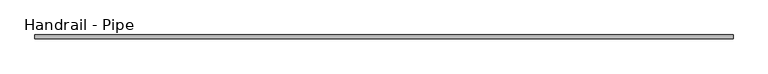
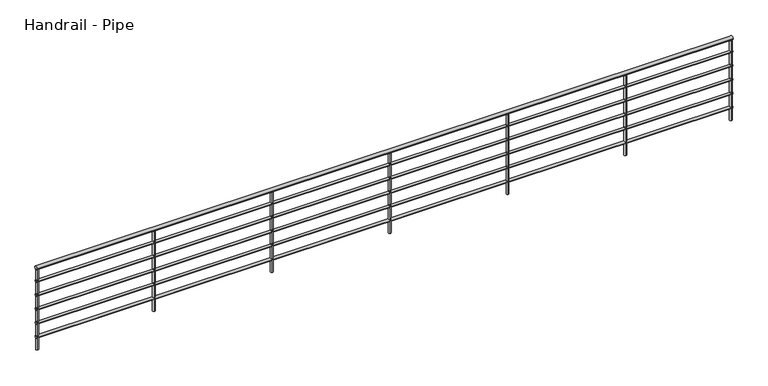
"""IFC4 building model written with IfcOpenShell, lengths in millimetres: railing geometry, Handrail - Pipe."""

from ifc_helpers import new_model, si_unit, point, frame, frame_2d, origin, place, context, project, spatial, circle_curve, trimmed, segment, composite_curve, outline, extrude, source, transform, mapped, element, save


def handrail_pipe_63f43c43(model_context):
    return source(origin(), model_context, "Body", "SweptSolid", [
        extrude(outline(composite_curve([segment(trimmed(circle_curve(frame_2d((1901.7062192, 3935.35)), 19.05), [point((1920.7562192, 3935.35))], [point((1882.6562192, 3935.35))], False, "CARTESIAN"), True, "CONTINUOUS"), segment(trimmed(circle_curve(frame_2d((1901.7062192, 3935.35)), 19.05), [point((1882.6562192, 3935.35))], [point((1920.7562192, 3935.35))], False, "CARTESIAN"), True, "CONTINUOUS")], self_intersect=False)), frame((-8858.2013164, 0.0, 0.0), z_axis=(1.0, 0.0, 0.0), x_axis=(0.0, 1.0, 0.0)), (0.0, 0.0, 1.0), 7199.6158674),
        extrude(outline(composite_curve([segment(trimmed(circle_curve(frame_2d((1901.7062192, 3789.3)), 12.7), [point((1914.4062192, 3789.3))], [point((1889.0062192, 3789.3))], False, "CARTESIAN"), True, "CONTINUOUS"), segment(trimmed(circle_curve(frame_2d((1901.7062192, 3789.3)), 12.7), [point((1889.0062192, 3789.3))], [point((1914.4062192, 3789.3))], False, "CARTESIAN"), True, "CONTINUOUS")], self_intersect=False)), frame((-8858.2013164, 0.0, 0.0), z_axis=(1.0, 0.0, 0.0), x_axis=(0.0, 1.0, 0.0)), (0.0, 0.0, 1.0), 7199.6158674),
        extrude(outline(composite_curve([segment(trimmed(circle_curve(frame_2d((1901.7062192, 3636.9)), 12.7), [point((1914.4062192, 3636.9))], [point((1889.0062192, 3636.9))], False, "CARTESIAN"), True, "CONTINUOUS"), segment(trimmed(circle_curve(frame_2d((1901.7062192, 3636.9)), 12.7), [point((1889.0062192, 3636.9))], [point((1914.4062192, 3636.9))], False, "CARTESIAN"), True, "CONTINUOUS")], self_intersect=False)), frame((-8858.2013164, 0.0, 0.0), z_axis=(1.0, 0.0, 0.0), x_axis=(0.0, 1.0, 0.0)), (0.0, 0.0, 1.0), 7199.6158674),
        extrude(outline(composite_curve([segment(trimmed(circle_curve(frame_2d((1901.7062192, 3484.5)), 12.7), [point((1914.4062192, 3484.5))], [point((1889.0062192, 3484.5))], False, "CARTESIAN"), True, "CONTINUOUS"), segment(trimmed(circle_curve(frame_2d((1901.7062192, 3484.5)), 12.7), [point((1889.0062192, 3484.5))], [point((1914.4062192, 3484.5))], False, "CARTESIAN"), True, "CONTINUOUS")], self_intersect=False)), frame((-8858.2013164, 0.0, 0.0), z_axis=(1.0, 0.0, 0.0), x_axis=(0.0, 1.0, 0.0)), (0.0, 0.0, 1.0), 7199.6158674),
        extrude(outline(composite_curve([segment(trimmed(circle_curve(frame_2d((1901.7062192, 3332.1)), 12.7), [point((1914.4062192, 3332.1))], [point((1889.0062192, 3332.1))], False, "CARTESIAN"), True, "CONTINUOUS"), segment(trimmed(circle_curve(frame_2d((1901.7062192, 3332.1)), 12.7), [point((1889.0062192, 3332.1))], [point((1914.4062192, 3332.1))], False, "CARTESIAN"), True, "CONTINUOUS")], self_intersect=False)), frame((-8858.2013164, 0.0, 0.0), z_axis=(1.0, 0.0, 0.0), x_axis=(0.0, 1.0, 0.0)), (0.0, 0.0, 1.0), 7199.6158674),
        extrude(outline(composite_curve([segment(trimmed(circle_curve(frame_2d((1901.7062192, 3179.7)), 12.7), [point((1914.4062192, 3179.7))], [point((1889.0062192, 3179.7))], False, "CARTESIAN"), True, "CONTINUOUS"), segment(trimmed(circle_curve(frame_2d((1901.7062192, 3179.7)), 12.7), [point((1889.0062192, 3179.7))], [point((1914.4062192, 3179.7))], False, "CARTESIAN"), True, "CONTINUOUS")], self_intersect=False)), frame((-8858.2013164, 0.0, 0.0), z_axis=(1.0, 0.0, 0.0), x_axis=(0.0, 1.0, 0.0)), (0.0, 0.0, 1.0), 7199.6158674),
        extrude(outline(composite_curve([segment(trimmed(circle_curve(frame_2d((-2762.2013164, 1901.7062192)), 12.7), [point((-2762.2013164, 1914.4062192))], [point((-2762.2013164, 1889.0062192))], False, "CARTESIAN"), True, "CONTINUOUS"), segment(trimmed(circle_curve(frame_2d((-2762.2013164, 1901.7062192)), 12.7), [point((-2762.2013164, 1889.0062192))], [point((-2762.2013164, 1914.4062192))], False, "CARTESIAN"), True, "CONTINUOUS")], self_intersect=False)), frame((0.0, 0.0, 3040.0), z_axis=(0.0, 0.0, 1.0), x_axis=(1.0, 0.0, 0.0)), (0.0, 0.0, 1.0), 876.3),
        extrude(outline(composite_curve([segment(trimmed(circle_curve(frame_2d((-3981.4013164, 1901.7062192)), 12.7), [point((-3981.4013164, 1914.4062192))], [point((-3981.4013164, 1889.0062192))], False, "CARTESIAN"), True, "CONTINUOUS"), segment(trimmed(circle_curve(frame_2d((-3981.4013164, 1901.7062192)), 12.7), [point((-3981.4013164, 1889.0062192))], [point((-3981.4013164, 1914.4062192))], False, "CARTESIAN"), True, "CONTINUOUS")], self_intersect=False)), frame((0.0, 0.0, 3040.0), z_axis=(0.0, 0.0, 1.0), x_axis=(1.0, 0.0, 0.0)), (0.0, 0.0, 1.0), 876.3),
        extrude(outline(composite_curve([segment(trimmed(circle_curve(frame_2d((-5200.6013164, 1901.7062192)), 12.7), [point((-5200.6013164, 1914.4062192))], [point((-5200.6013164, 1889.0062192))], False, "CARTESIAN"), True, "CONTINUOUS"), segment(trimmed(circle_curve(frame_2d((-5200.6013164, 1901.7062192)), 12.7), [point((-5200.6013164, 1889.0062192))], [point((-5200.6013164, 1914.4062192))], False, "CARTESIAN"), True, "CONTINUOUS")], self_intersect=False)), frame((0.0, 0.0, 3040.0), z_axis=(0.0, 0.0, 1.0), x_axis=(1.0, 0.0, 0.0)), (0.0, 0.0, 1.0), 876.3),
        extrude(outline(composite_curve([segment(trimmed(circle_curve(frame_2d((-6419.8013164, 1901.7062192)), 12.7), [point((-6419.8013164, 1914.4062192))], [point((-6419.8013164, 1889.0062192))], False, "CARTESIAN"), True, "CONTINUOUS"), segment(trimmed(circle_curve(frame_2d((-6419.8013164, 1901.7062192)), 12.7), [point((-6419.8013164, 1889.0062192))], [point((-6419.8013164, 1914.4062192))], False, "CARTESIAN"), True, "CONTINUOUS")], self_intersect=False)), frame((0.0, 0.0, 3040.0), z_axis=(0.0, 0.0, 1.0), x_axis=(1.0, 0.0, 0.0)), (0.0, 0.0, 1.0), 876.3),
        extrude(outline(composite_curve([segment(trimmed(circle_curve(frame_2d((-7639.0013164, 1901.7062192)), 12.7), [point((-7639.0013164, 1914.4062192))], [point((-7639.0013164, 1889.0062192))], False, "CARTESIAN"), True, "CONTINUOUS"), segment(trimmed(circle_curve(frame_2d((-7639.0013164, 1901.7062192)), 12.7), [point((-7639.0013164, 1889.0062192))], [point((-7639.0013164, 1914.4062192))], False, "CARTESIAN"), True, "CONTINUOUS")], self_intersect=False)), frame((0.0, 0.0, 3040.0), z_axis=(0.0, 0.0, 1.0), x_axis=(1.0, 0.0, 0.0)), (0.0, 0.0, 1.0), 876.3),
        extrude(outline(composite_curve([segment(trimmed(circle_curve(frame_2d((-1671.2854491, 1901.7062192)), 12.7), [point((-1671.2854491, 1914.4062192))], [point((-1671.2854491, 1889.0062192))], False, "CARTESIAN"), True, "CONTINUOUS"), segment(trimmed(circle_curve(frame_2d((-1671.2854491, 1901.7062192)), 12.7), [point((-1671.2854491, 1889.0062192))], [point((-1671.2854491, 1914.4062192))], False, "CARTESIAN"), True, "CONTINUOUS")], self_intersect=False)), frame((0.0, 0.0, 3040.0), z_axis=(0.0, 0.0, 1.0), x_axis=(1.0, 0.0, 0.0)), (0.0, 0.0, 1.0), 876.3),
        extrude(outline(composite_curve([segment(trimmed(circle_curve(frame_2d((-8845.5013164, 1901.7062192)), 12.7), [point((-8845.5013164, 1914.4062192))], [point((-8845.5013164, 1889.0062192))], False, "CARTESIAN"), True, "CONTINUOUS"), segment(trimmed(circle_curve(frame_2d((-8845.5013164, 1901.7062192)), 12.7), [point((-8845.5013164, 1889.0062192))], [point((-8845.5013164, 1914.4062192))], False, "CARTESIAN"), True, "CONTINUOUS")], self_intersect=False)), frame((0.0, 0.0, 3040.0), z_axis=(0.0, 0.0, 1.0), x_axis=(1.0, 0.0, 0.0)), (0.0, 0.0, 1.0), 876.3),
    ])


if __name__ == "__main__":
    model = new_model("IFC4")
    model_context = context("Model", 3, world=origin())
    ifc_project = project(units=[si_unit("LENGTHUNIT", "METRE", prefix="MILLI")], contexts=[model_context])
    site = spatial("IfcSite", under=ifc_project)
    building = spatial("IfcBuilding", under=site)
    placement = place(None, origin())
    handrail_pipe_shape = handrail_pipe_63f43c43(model_context)
    element("IfcRailing", 1, ObjectType="Handrail - Pipe", at=placement, inside=building, context=model_context, shape_type="MappedRepresentation", body=[
        mapped(handrail_pipe_shape, transform((0.0, 0.0, 0.0), x_axis=(1.0, 0.0, 0.0), y_axis=(0.0, 1.0, 0.0), z_axis=(0.0, 0.0, 1.0))),
    ])
    save(model, "model.ifc")
